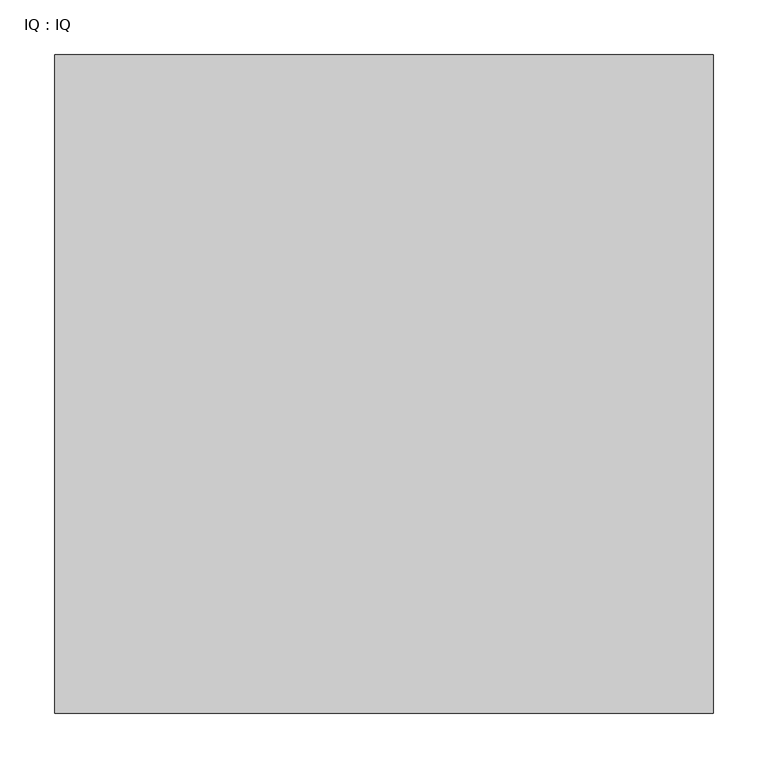
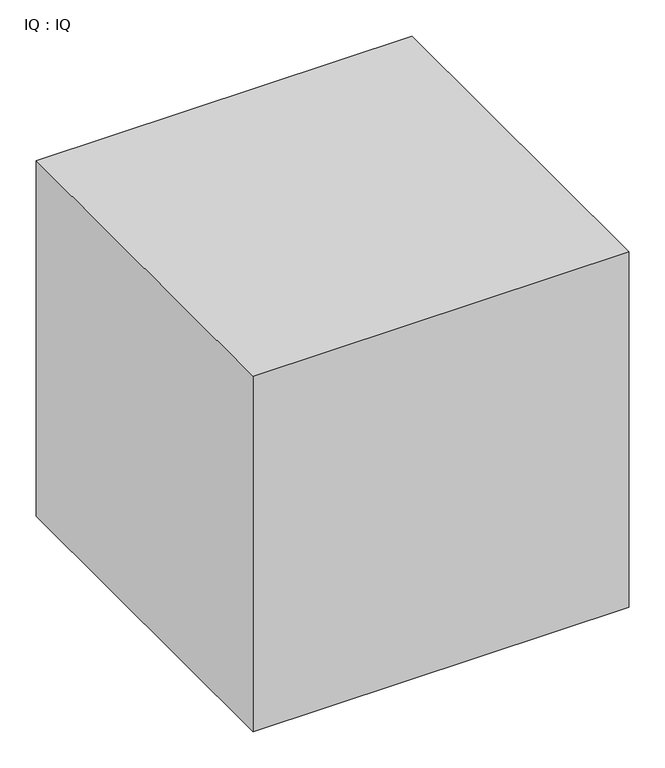
"""IFC4 building model written with IfcOpenShell, lengths in millimetres: proxy geometry, IQ : IQ."""

from ifc_helpers import new_model, si_unit, frame, origin, place, context, project, spatial, polyline, outline, extrude, source, transform, mapped, element, save


def iq_iq_33c50677(model_context):
    return source(origin(), model_context, "Body", "SweptSolid", [
        extrude(outline(polyline([(600.0, 600.0), (600.0, 0.0), (0.0, 0.0), (0.0, 600.0), (600.0, 600.0)])), frame((0.0, 0.0, 600.0), z_axis=(0.0, 0.0, 1.0), x_axis=(1.0, 0.0, 0.0)), (0.0, 0.0, 1.0), 600.0),
    ])


if __name__ == "__main__":
    model = new_model("IFC4")
    model_context = context("Model", 3, world=origin())
    ifc_project = project(units=[si_unit("LENGTHUNIT", "METRE", prefix="MILLI")], contexts=[model_context])
    site = spatial("IfcSite", under=ifc_project)
    building = spatial("IfcBuilding", under=site)
    placement = place(None, origin())
    iq_iq_shape = iq_iq_33c50677(model_context)
    element("IfcBuildingElementProxy", 1, Name="IQ : IQ", ObjectType="IQ : IQ", at=placement, inside=building, context=model_context, shape_type="MappedRepresentation", body=[
        mapped(iq_iq_shape, transform((0.0, 0.0, 0.0), x_axis=(1.0, 0.0, 0.0), y_axis=(0.0, 1.0, 0.0), z_axis=(0.0, 0.0, 1.0))),
    ])
    save(model, "model.ifc")
